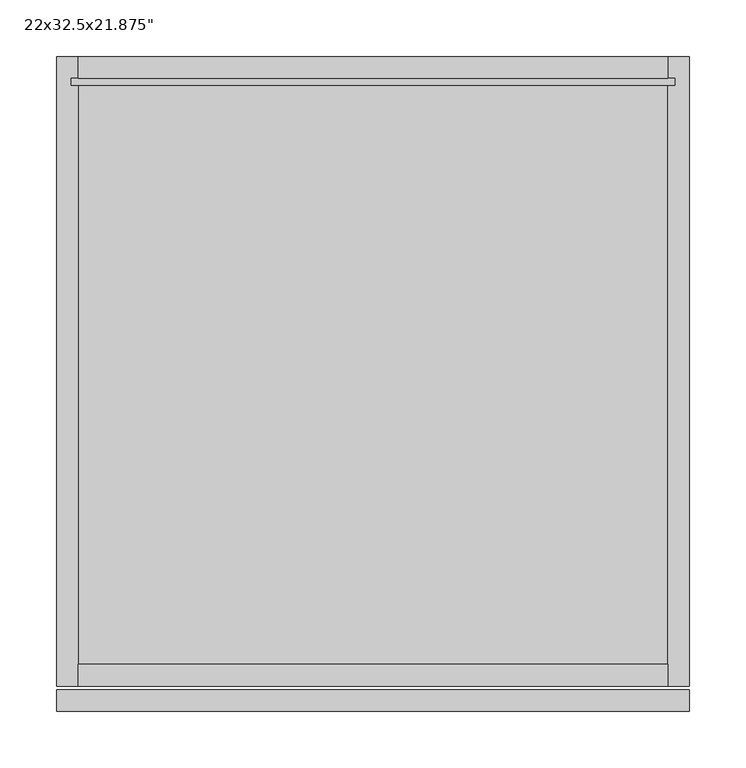
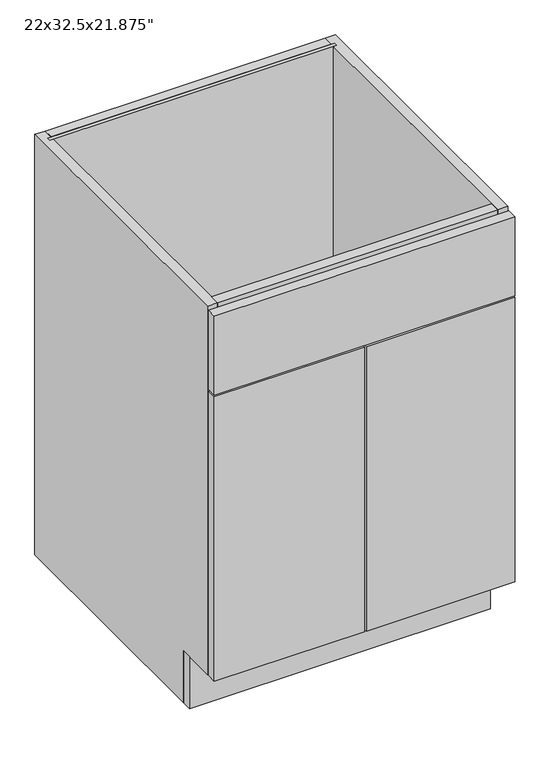
"""IFC4 building model written with IfcOpenShell, lengths in millimetres: furniture geometry."""

from ifc_helpers import new_model, si_unit, frame, origin, origin_with_axes, place, context, project, spatial, polyline, outline, extrude, source, transform, mapped, element, save


def furniture_115861a9(model_context):
    return source(origin(), model_context, "Body", "SweptSolid", [
        extrude(outline(polyline([(-260.6622951, -498.475), (-260.6622951, -479.425), (298.1377049, -479.425), (298.1377049, -498.475), (-260.6622951, -498.475)])), origin_with_axes(), (0.0, 0.0, 1.0), 101.6),
        extrude(outline(polyline([(279.0877049, -19.05), (-241.6122951, -19.05), (-241.6122951, 0.0), (279.0877049, 0.0), (279.0877049, -19.05)])), frame((0.0, 0.0, 120.65), z_axis=(0.0, 0.0, 1.0), x_axis=(1.0, 0.0, 0.0)), (0.0, 0.0, 1.0), 136.525),
        extrude(outline(polyline([(279.0877049, -19.05), (-241.6122951, -19.05), (-241.6122951, 0.0), (279.0877049, 0.0), (279.0877049, -19.05)])), frame((0.0, 0.0, 688.975), z_axis=(0.0, 0.0, 1.0), x_axis=(1.0, 0.0, 0.0)), (0.0, 0.0, 1.0), 136.525),
        extrude(outline(polyline([(285.4377049, -25.4), (-247.9622951, -25.4), (-247.9622951, -19.05), (285.4377049, -19.05), (285.4377049, -25.4)])), frame((0.0, 0.0, 114.3), z_axis=(0.0, 0.0, 1.0), x_axis=(1.0, 0.0, 0.0)), (0.0, 0.0, 1.0), 711.2),
        extrude(outline(polyline([(279.0877049, -536.575), (279.0877049, -555.625), (-241.6122951, -555.625), (-241.6122951, -536.575), (279.0877049, -536.575)])), frame((0.0, 0.0, 647.7), z_axis=(0.0, 0.0, 1.0), x_axis=(1.0, 0.0, 0.0)), (0.0, 0.0, 1.0), 177.8),
        extrude(outline(polyline([(279.0877049, 0.0), (279.0877049, -555.625), (-241.6122951, -555.625), (-241.6122951, 0.0), (279.0877049, 0.0)])), frame((0.0, 0.0, 101.6), z_axis=(0.0, 0.0, 1.0), x_axis=(1.0, 0.0, 0.0)), (0.0, 0.0, 1.0), 19.05),
        extrude(outline(polyline([(0.0, 825.5), (0.0, 0.0), (-479.425, 0.0), (-479.425, 101.6), (-555.625, 101.6), (-555.625, 825.5), (0.0, 825.5)])), frame((279.0877049, 0.0, 0.0), z_axis=(1.0, 0.0, 0.0), x_axis=(0.0, 1.0, 0.0)), (0.0, 0.0, 1.0), 19.05),
        extrude(outline(polyline([(-479.425, 0.0), (-479.425, 101.6), (-555.625, 101.6), (-555.625, 825.5), (0.0, 825.5), (0.0, 0.0), (-479.425, 0.0)])), frame((-260.6622951, 0.0, 0.0), z_axis=(1.0, 0.0, 0.0), x_axis=(0.0, 1.0, 0.0)), (0.0, 0.0, 1.0), 19.05),
        extrude(outline(polyline([(298.1377049, -577.85), (-260.6622951, -577.85), (-260.6622951, -558.8), (298.1377049, -558.8), (298.1377049, -577.85)])), frame((0.0, 0.0, 663.575), z_axis=(0.0, 0.0, 1.0), x_axis=(1.0, 0.0, 0.0)), (0.0, 0.0, 1.0), 155.575),
        extrude(outline(polyline([(298.1377049, -577.85), (21.9127049, -577.85), (21.9127049, -558.8), (298.1377049, -558.8), (298.1377049, -577.85)])), frame((0.0, 0.0, 101.6), z_axis=(0.0, 0.0, 1.0), x_axis=(1.0, 0.0, 0.0)), (0.0, 0.0, 1.0), 558.8),
        extrude(outline(polyline([(18.7377049, -577.85), (-260.6622951, -577.85), (-260.6622951, -558.8), (18.7377049, -558.8), (18.7377049, -577.85)])), frame((0.0, 0.0, 101.6), z_axis=(0.0, 0.0, 1.0), x_axis=(1.0, 0.0, 0.0)), (0.0, 0.0, 1.0), 558.8),
    ])


if __name__ == "__main__":
    model = new_model("IFC4")
    model_context = context("Model", 3, world=origin())
    ifc_project = project(units=[si_unit("LENGTHUNIT", "METRE", prefix="MILLI")], contexts=[model_context])
    site = spatial("IfcSite", under=ifc_project)
    building = spatial("IfcBuilding", under=site)
    placement = place(None, origin())
    furniture_shape = furniture_115861a9(model_context)
    element("IfcFurniture", 1, ObjectType="22x32.5x21.875\"", at=placement, inside=building, context=model_context, shape_type="MappedRepresentation", body=[
        mapped(furniture_shape, transform((0.0, 0.0, 0.0), x_axis=(1.0, 0.0, 0.0), y_axis=(0.0, 1.0, 0.0), z_axis=(0.0, 0.0, 1.0))),
    ])
    save(model, "model.ifc")
